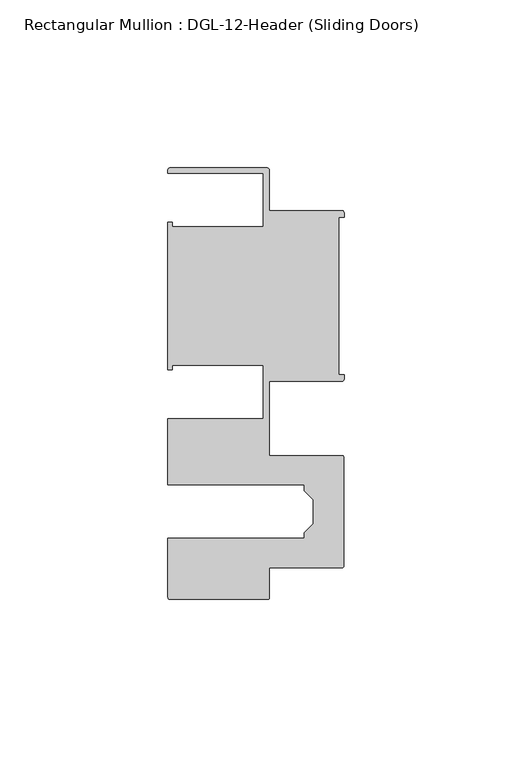
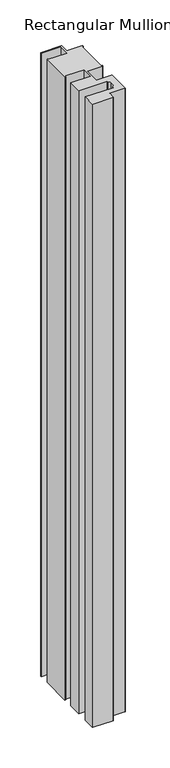
"""IFC4 building model written with IfcOpenShell, lengths in millimetres: member geometry, Rectangular Mullion : DGL-12-Header (Sliding Doors)."""

from ifc_helpers import new_model, si_unit, point, frame, frame_2d, origin, place, context, project, spatial, polyline, circle_curve, trimmed, segment, composite_curve, outline, extrude, source, transform, mapped, element, save


def rectangular_mullion_dgl_12_header_sliding_doors_c643438f(model_context):
    return source(origin(), model_context, "Body", "SweptSolid", [
        extrude(outline(composite_curve([segment(trimmed(circle_curve(frame_2d((-0.5953125, 24.8046875)), 0.5953125), [point((-0.5953125, 25.4))], [point((0.0, 24.8046875))], False, "CARTESIAN"), True, "CONTINUOUS"), segment(polyline([(0.0, 24.8046875), (0.0, 23.488176), (-1.5001875, 23.488176), (-1.5001875, -23.488176), (0.0, -23.488176), (0.0, -24.8046875)]), True, "CONTINUOUS"), segment(trimmed(circle_curve(frame_2d((-0.5953125, -24.8046875)), 0.5953125), [point((0.0, -24.8046875))], [point((-0.5953125, -25.4))], False, "CARTESIAN"), True, "CONTINUOUS"), segment(polyline([(-0.5953125, -25.4), (-22.2332898, -25.4), (-22.2332898, -47.513352), (-0.60357, -47.513352)]), True, "CONTINUOUS"), segment(trimmed(circle_curve(frame_2d((-0.60357, -48.1086645)), 0.5953125), [point((-0.60357, -47.513352))], [point((-0.0082575, -48.1086645))], False, "CARTESIAN"), True, "CONTINUOUS"), segment(polyline([(-0.0082575, -48.1086645), (-0.0082575, -80.2801715)]), True, "CONTINUOUS"), segment(trimmed(circle_curve(frame_2d((-0.60357, -80.2801715)), 0.5953125), [point((-0.0082575, -80.2801715))], [point((-0.60357, -80.875484))], False, "CARTESIAN"), True, "CONTINUOUS"), segment(polyline([(-0.60357, -80.875484), (-22.2032575, -80.875484), (-22.2032575, -89.7299227)]), True, "CONTINUOUS"), segment(trimmed(circle_curve(frame_2d((-22.79857, -89.7299227)), 0.5953125), [point((-22.2032575, -89.7299227))], [point((-22.79857, -90.3252352))], False, "CARTESIAN"), True, "CONTINUOUS"), segment(polyline([(-22.79857, -90.3252352), (-51.7968699, -90.3252352)]), True, "CONTINUOUS"), segment(trimmed(circle_curve(frame_2d((-51.7968699, -89.7299227)), 0.5953125), [point((-51.7968699, -90.3252352))], [point((-52.3921824, -89.7299227))], False, "CARTESIAN"), True, "CONTINUOUS"), segment(polyline([(-52.3921824, -89.7299227), (-52.3921824, -72.175484), (-11.8582575, -72.175484), (-11.8582575, -70.4941892), (-9.1582575, -67.7941892), (-9.1582575, -60.5946468), (-11.8582575, -57.8946468), (-11.8582575, -56.213352), (-52.3921824, -56.213352), (-52.3921824, -36.512516), (-24.0747898, -36.512516), (-24.0747898, -20.5916734), (-51.1362531, -20.5916734), (-51.1362531, -21.9710976), (-52.3921824, -21.9710976), (-52.3921824, 21.9710976), (-51.1362531, 21.9710976), (-51.1362531, 20.5916734), (-24.0747898, 20.5916734), (-24.0747898, 36.512516), (-52.3921824, 36.512516), (-52.3921824, 37.5043667)]), True, "CONTINUOUS"), segment(trimmed(circle_curve(frame_2d((-51.7968699, 37.5043667)), 0.5953125), [point((-52.3921824, 37.5043667))], [point((-51.7968699, 38.0996792))], False, "CARTESIAN"), True, "CONTINUOUS"), segment(polyline([(-51.7968699, 38.0996792), (-22.8286023, 38.0996792)]), True, "CONTINUOUS"), segment(trimmed(circle_curve(frame_2d((-22.8286023, 37.5043667)), 0.5953125), [point((-22.8286023, 38.0996792))], [point((-22.2332898, 37.5043667))], False, "CARTESIAN"), True, "CONTINUOUS"), segment(polyline([(-22.2332898, 37.5043667), (-22.2332898, 25.4), (-0.5953125, 25.4)]), True, "CONTINUOUS")], self_intersect=False)), frame((0.0, 0.0, -939.8), z_axis=(0.0, 0.0, 1.0), x_axis=(1.0, 0.0, 0.0)), (0.0, 0.0, 1.0), 939.8),
    ])


if __name__ == "__main__":
    model = new_model("IFC4")
    model_context = context("Model", 3, world=origin())
    ifc_project = project(units=[si_unit("LENGTHUNIT", "METRE", prefix="MILLI")], contexts=[model_context])
    site = spatial("IfcSite", under=ifc_project)
    building = spatial("IfcBuilding", under=site)
    placement = place(None, origin())
    rectangular_mullion_dgl_12_header_sliding_doors_shape = rectangular_mullion_dgl_12_header_sliding_doors_c643438f(model_context)
    element("IfcMember", 1, ObjectType="Rectangular Mullion : DGL-12-Header (Sliding Doors)", at=placement, inside=building, context=model_context, shape_type="MappedRepresentation", body=[
        mapped(rectangular_mullion_dgl_12_header_sliding_doors_shape, transform((0.0, 0.0, 0.0), x_axis=(1.0, 0.0, 0.0), y_axis=(0.0, 1.0, 0.0), z_axis=(0.0, 0.0, 1.0))),
    ])
    save(model, "model.ifc")
